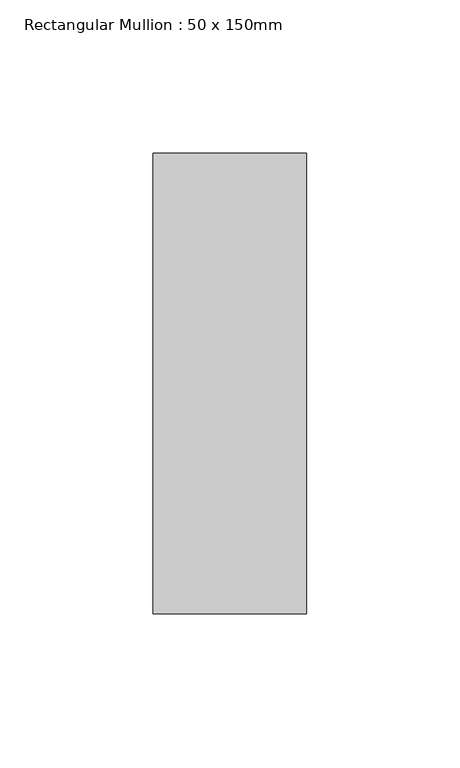
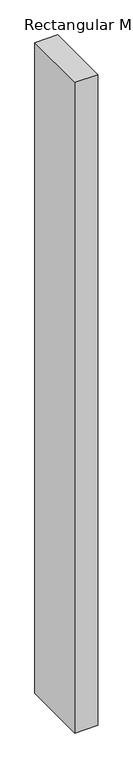
"""IFC4 building model written with IfcOpenShell, lengths in millimetres: member geometry, Rectangular Mullion : 50 x 150mm."""

import ifcopenshell
import ifcopenshell.guid

model = None  # the IFC model being written
_history = None  # IfcOwnerHistory: only IFC2X3 demands one
_inside = {}  # id of a spatial element -> (the spatial element, [elements in it])
_under = {}  # id of a project, library or spatial element -> (it, [spatial elements below it])
_declared = {}  # id of a project -> (the project, [libraries it declares])
_typed = {}  # id of a type object -> (the type object, [elements of that type])
_made_of = {}  # id of a material, layer set ... -> (it, [elements and type objects made of it])


def new_model(schema):
    """Start an empty IFC model of exactly this schema.

    Asked for "IFC4X3", IfcOpenShell would pick the latest addendum, in which some entities
    have other attributes; the version numbers below select the first issue.
    IFC2X3 requires an IfcOwnerHistory on every rooted entity: one is made here for all.
    """
    global model, _history
    if schema == "IFC4X3":
        model = ifcopenshell.file(schema_version=(4, 3, 0, 0))
    else:
        model = ifcopenshell.file(schema=schema)
    _inside.clear()
    _under.clear()
    _declared.clear()
    _typed.clear()
    _made_of.clear()
    _history = None
    if model.schema == "IFC2X3":
        org = make("IfcOrganization", Name="unknown")
        user = make(
            "IfcPersonAndOrganization",
            ThePerson=make("IfcPerson", FamilyName="unknown"),
            TheOrganization=org,
        )
        app = make(
            "IfcApplication",
            ApplicationDeveloper=org,
            Version="unknown",
            ApplicationFullName="unknown",
            ApplicationIdentifier="unknown",
        )
        _history = make(
            "IfcOwnerHistory",
            OwningUser=user,
            OwningApplication=app,
            ChangeAction="ADDED",
            CreationDate=0,
        )
    return model


def make(cls, **values):
    """One entity of the class cls with the attributes given. An attribute that is None is left unset."""
    return model.create_entity(
        cls, **{name: value for name, value in values.items() if value is not None}
    )


def rooted(cls, **values):
    """An entity with a GlobalId (a new one), such as an element, a storey or a relation."""
    return make(cls, GlobalId=ifcopenshell.guid.new(), OwnerHistory=_history, **values)


def si_unit(unit_type, name, prefix=None):
    """IfcSIUnit, for example si_unit("LENGTHUNIT", "METRE", prefix="MILLI")."""
    return make("IfcSIUnit", UnitType=unit_type, Prefix=prefix, Name=name)


def assignment(units):
    """IfcUnitAssignment: the units of a project."""
    return None if units is None else make("IfcUnitAssignment", Units=units)


def point(xyz):
    """IfcCartesianPoint."""
    return None if xyz is None else make("IfcCartesianPoint", Coordinates=xyz)


def direction(xyz):
    """IfcDirection."""
    return None if xyz is None else make("IfcDirection", DirectionRatios=xyz)


def frame(location, z_axis=None, x_axis=None):
    """IfcAxis2Placement3D, a coordinate frame: its origin and axes. An axis left out is left unset."""
    return make(
        "IfcAxis2Placement3D",
        Location=point(location),
        Axis=direction(z_axis),
        RefDirection=direction(x_axis),
    )


def origin():
    """The frame at (0, 0, 0) with its axes left unset."""
    return frame((0.0, 0.0, 0.0))


def place(relative_to, where):
    """IfcLocalPlacement: puts the frame where relative to a parent placement (None: the world)."""
    return make(
        "IfcLocalPlacement", PlacementRelTo=relative_to, RelativePlacement=where
    )


def context(
    kind, dimensions, precision=None, world=None, true_north=None, identifier=None
):
    """IfcGeometricRepresentationContext, for example the 3D "Model" context."""
    return make(
        "IfcGeometricRepresentationContext",
        ContextIdentifier=identifier,
        ContextType=kind,
        CoordinateSpaceDimension=dimensions,
        Precision=precision,
        WorldCoordinateSystem=world,
        TrueNorth=true_north,
    )


def project(units=None, contexts=None):
    """IfcProject with its units and contexts."""
    return rooted(
        "IfcProject",
        Name="project",
        RepresentationContexts=contexts,
        UnitsInContext=assignment(units),
    )


def spatial(cls, under=None, at=None, **own):
    """A site, building, storey or space (cls), placed at a placement, below another one or the project."""
    s = rooted(cls, ObjectPlacement=at, **own)
    if under is not None:
        _under.setdefault(under.id(), (under, []))[1].append(s)
    return s


def polyline(points):
    """IfcPolyline through the points."""
    return make("IfcPolyline", Points=[point(p) for p in points])


def outline(outer, holes=None, kind="AREA"):
    """IfcArbitraryClosedProfileDef: a profile drawn as a closed curve; with holes, ...WithVoids."""
    if holes is None:
        return make("IfcArbitraryClosedProfileDef", ProfileType=kind, OuterCurve=outer)
    return make(
        "IfcArbitraryProfileDefWithVoids",
        ProfileType=kind,
        OuterCurve=outer,
        InnerCurves=holes,
    )


def extrude(swept, where, along, depth):
    """IfcExtrudedAreaSolid: the profile swept, set in the frame where, extruded along a direction by depth."""
    return make(
        "IfcExtrudedAreaSolid",
        SweptArea=swept,
        Position=where,
        ExtrudedDirection=direction(along),
        Depth=depth,
    )


def shape(context_of_items, identifier, shape_type, items):
    """IfcShapeRepresentation: the items that make up one representation, for example the "Body"."""
    return make(
        "IfcShapeRepresentation",
        ContextOfItems=context_of_items,
        RepresentationIdentifier=identifier,
        RepresentationType=shape_type,
        Items=items,
    )


def source(mapping_origin, context_of_items, identifier, shape_type, items):
    """IfcRepresentationMap: a shape defined once, which mapped items show again and again."""
    return make(
        "IfcRepresentationMap",
        MappingOrigin=mapping_origin,
        MappedRepresentation=shape(context_of_items, identifier, shape_type, items),
    )


def transform(
    local_origin,
    x_axis=None,
    y_axis=None,
    z_axis=None,
    scale=None,
    scale2=None,
    scale3=None,
    uniform=True,
):
    """IfcCartesianTransformationOperator3D, or its non-uniform kind. x_axis, y_axis, z_axis: its Axis1, 2, 3."""
    if uniform:
        return make(
            "IfcCartesianTransformationOperator3D",
            Axis1=direction(x_axis),
            Axis2=direction(y_axis),
            LocalOrigin=point(local_origin),
            Scale=scale,
            Axis3=direction(z_axis),
        )
    return make(
        "IfcCartesianTransformationOperator3DnonUniform",
        Axis1=direction(x_axis),
        Axis2=direction(y_axis),
        LocalOrigin=point(local_origin),
        Scale=scale,
        Axis3=direction(z_axis),
        Scale2=scale2,
        Scale3=scale3,
    )


def mapped(mapping_source, mapping_target):
    """IfcMappedItem: shows the shape of a source again, moved by a transform."""
    return make(
        "IfcMappedItem", MappingSource=mapping_source, MappingTarget=mapping_target
    )


def made_of(thing, what):
    """Note that an element or type object is made of a material, layer set ...; save() writes the relation."""
    if what is not None:
        _made_of.setdefault(what.id(), (what, []))[1].append(thing)
    return thing


def element(
    cls,
    number,
    at=None,
    inside=None,
    cuts=None,
    type_object=None,
    material=None,
    context=None,
    identifier="Body",
    shape_type=None,
    held_by="IfcProductDefinitionShape",
    body=None,
    shapes=None,
    **own,
):
    """One element of the class cls, such as IfcWall. Its Tag is "e" and its number.

    at: its placement. inside: the storey or other place that contains it. cuts: it is an
    opening in that element (IfcRelVoidsElement). A single representation is given by context,
    identifier, shape_type and body (its items); several are given by shapes. held_by: the class
    of the entity that holds the representations. save() writes the other relations.
    """
    e = rooted(cls, Tag="e%d" % number, ObjectPlacement=at, **own)
    if body is not None:
        shapes = [shape(context, identifier, shape_type, body)]
    if shapes is not None:
        e.Representation = make(held_by, Representations=shapes)
    if inside is not None:
        _inside.setdefault(inside.id(), (inside, []))[1].append(e)
    if cuts is not None:
        rooted(
            "IfcRelVoidsElement", RelatingBuildingElement=cuts, RelatedOpeningElement=e
        )
    if type_object is not None:
        _typed.setdefault(type_object.id(), (type_object, []))[1].append(e)
    return made_of(e, material)


def aggregate(whole, parts):
    """IfcRelAggregates: a whole, such as a stair, and the parts it consists of."""
    return rooted("IfcRelAggregates", RelatingObject=whole, RelatedObjects=parts)


def save(model, path):
    """Write the relations noted so far, then the file.

    IfcRelAggregates (storeys below a building ...), IfcRelContainedInSpatialStructure (elements
    in a storey), IfcRelDefinesByType, IfcRelAssociatesMaterial and IfcRelDeclares: one each for
    every whole, place, type object, material and project.
    """
    for whole, parts in _under.values():
        aggregate(whole, parts)
    for where, things in _inside.values():
        rooted(
            "IfcRelContainedInSpatialStructure",
            RelatedElements=things,
            RelatingStructure=where,
        )
    for kind, things in _typed.values():
        rooted("IfcRelDefinesByType", RelatedObjects=things, RelatingType=kind)
    for what, things in _made_of.values():
        rooted("IfcRelAssociatesMaterial", RelatedObjects=things, RelatingMaterial=what)
    for by, libraries in _declared.values():
        rooted("IfcRelDeclares", RelatingContext=by, RelatedDefinitions=libraries)
    model.write(path)


def rectangular_mullion_50_x_150mm_d7b03171(model_context):
    return source(origin(), model_context, "Body", "SweptSolid", [
        extrude(outline(polyline([(25.0, 75.0), (25.0, -75.0), (-25.0, -75.0), (-25.0, 75.0), (25.0, 75.0)])), frame((0.0, 0.0, -1492.9573923), z_axis=(0.0, 0.0, 1.0), x_axis=(1.0, 0.0, 0.0)), (0.0, 0.0, 1.0), 1492.9573923),
    ])


if __name__ == "__main__":
    model = new_model("IFC4")
    model_context = context("Model", 3, world=origin())
    ifc_project = project(units=[si_unit("LENGTHUNIT", "METRE", prefix="MILLI")], contexts=[model_context])
    site = spatial("IfcSite", under=ifc_project)
    building = spatial("IfcBuilding", under=site)
    placement = place(None, origin())
    rectangular_mullion_50_x_150mm_shape = rectangular_mullion_50_x_150mm_d7b03171(model_context)
    element("IfcMember", 1, ObjectType="Rectangular Mullion : 50 x 150mm", at=placement, inside=building, context=model_context, shape_type="MappedRepresentation", body=[
        mapped(rectangular_mullion_50_x_150mm_shape, transform((0.0, 0.0, 0.0), x_axis=(1.0, 0.0, 0.0), y_axis=(0.0, 1.0, 0.0), z_axis=(0.0, 0.0, 1.0))),
    ])
    save(model, "model.ifc")
